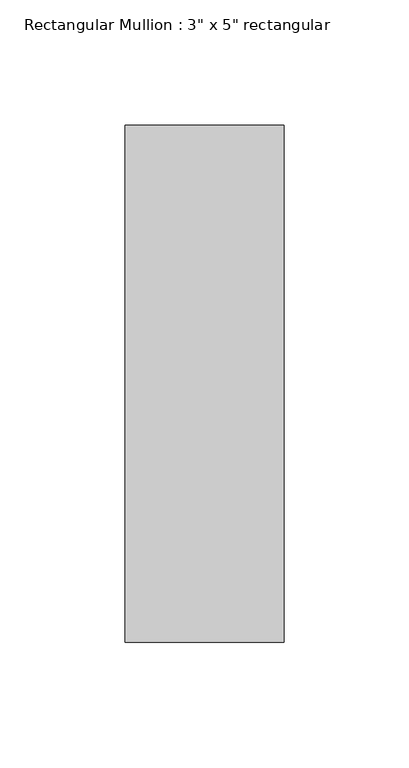
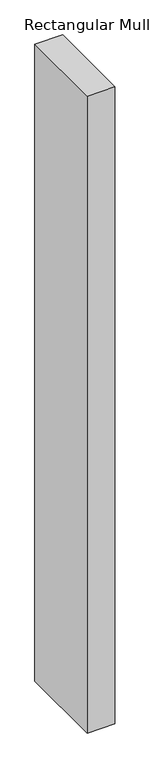
"""IFC4 building model written with IfcOpenShell, lengths in millimetres: member geometry."""

from ifc_helpers import new_model, si_unit, frame, origin, place, context, project, spatial, polyline, outline, extrude, source, transform, mapped, element, save


def member_059e76d5(model_context):
    return source(origin(), model_context, "Body", "SweptSolid", [
        extrude(outline(polyline([(0.0, 90.551), (0.0, -115.951), (-63.5, -115.951), (-63.5, 90.551), (0.0, 90.551)])), frame((0.0, 0.0, -1536.7), z_axis=(0.0, 0.0, 1.0), x_axis=(1.0, 0.0, 0.0)), (0.0, 0.0, 1.0), 1536.7),
    ])


if __name__ == "__main__":
    model = new_model("IFC4")
    model_context = context("Model", 3, world=origin())
    ifc_project = project(units=[si_unit("LENGTHUNIT", "METRE", prefix="MILLI")], contexts=[model_context])
    site = spatial("IfcSite", under=ifc_project)
    building = spatial("IfcBuilding", under=site)
    placement = place(None, origin())
    member_shape = member_059e76d5(model_context)
    element("IfcMember", 1, ObjectType="Rectangular Mullion : 3\" x 5\" rectangular", at=placement, inside=building, context=model_context, shape_type="MappedRepresentation", body=[
        mapped(member_shape, transform((0.0, 0.0, 0.0), x_axis=(1.0, 0.0, 0.0), y_axis=(0.0, 1.0, 0.0), z_axis=(0.0, 0.0, 1.0))),
    ])
    save(model, "model.ifc")
